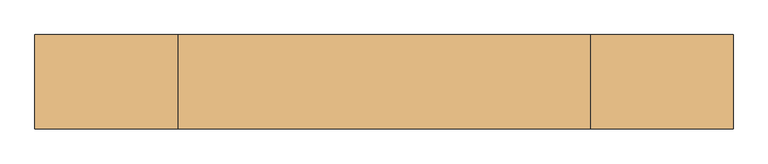
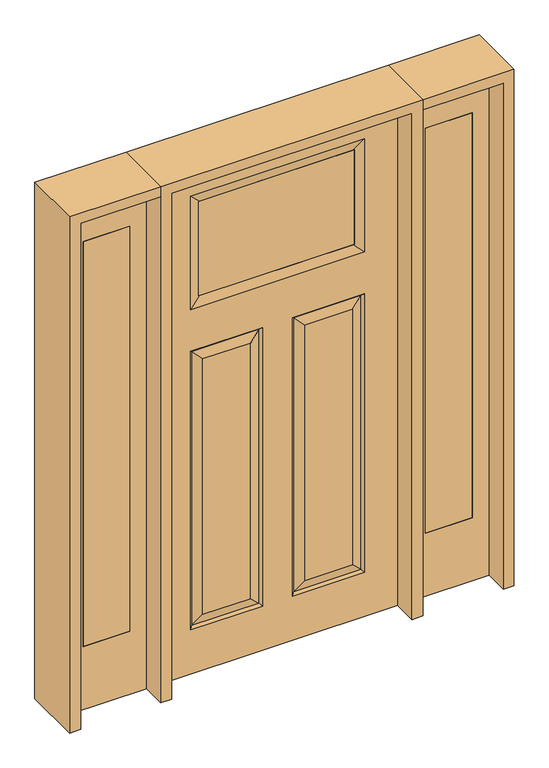
"""IFC4 building model written with IfcOpenShell, lengths in millimetres: door geometry."""

import ifcopenshell
import ifcopenshell.guid

model = None  # the IFC model being written
_history = None  # IfcOwnerHistory: only IFC2X3 demands one
_inside = {}  # id of a spatial element -> (the spatial element, [elements in it])
_under = {}  # id of a project, library or spatial element -> (it, [spatial elements below it])
_declared = {}  # id of a project -> (the project, [libraries it declares])
_typed = {}  # id of a type object -> (the type object, [elements of that type])
_made_of = {}  # id of a material, layer set ... -> (it, [elements and type objects made of it])


def new_model(schema):
    """Start an empty IFC model of exactly this schema.

    Asked for "IFC4X3", IfcOpenShell would pick the latest addendum, in which some entities
    have other attributes; the version numbers below select the first issue.
    IFC2X3 requires an IfcOwnerHistory on every rooted entity: one is made here for all.
    """
    global model, _history
    if schema == "IFC4X3":
        model = ifcopenshell.file(schema_version=(4, 3, 0, 0))
    else:
        model = ifcopenshell.file(schema=schema)
    _inside.clear()
    _under.clear()
    _declared.clear()
    _typed.clear()
    _made_of.clear()
    _history = None
    if model.schema == "IFC2X3":
        org = make("IfcOrganization", Name="unknown")
        user = make(
            "IfcPersonAndOrganization",
            ThePerson=make("IfcPerson", FamilyName="unknown"),
            TheOrganization=org,
        )
        app = make(
            "IfcApplication",
            ApplicationDeveloper=org,
            Version="unknown",
            ApplicationFullName="unknown",
            ApplicationIdentifier="unknown",
        )
        _history = make(
            "IfcOwnerHistory",
            OwningUser=user,
            OwningApplication=app,
            ChangeAction="ADDED",
            CreationDate=0,
        )
    return model


def make(cls, **values):
    """One entity of the class cls with the attributes given. An attribute that is None is left unset."""
    return model.create_entity(
        cls, **{name: value for name, value in values.items() if value is not None}
    )


def rooted(cls, **values):
    """An entity with a GlobalId (a new one), such as an element, a storey or a relation."""
    return make(cls, GlobalId=ifcopenshell.guid.new(), OwnerHistory=_history, **values)


def si_unit(unit_type, name, prefix=None):
    """IfcSIUnit, for example si_unit("LENGTHUNIT", "METRE", prefix="MILLI")."""
    return make("IfcSIUnit", UnitType=unit_type, Prefix=prefix, Name=name)


def assignment(units):
    """IfcUnitAssignment: the units of a project."""
    return None if units is None else make("IfcUnitAssignment", Units=units)


def point(xyz):
    """IfcCartesianPoint."""
    return None if xyz is None else make("IfcCartesianPoint", Coordinates=xyz)


def direction(xyz):
    """IfcDirection."""
    return None if xyz is None else make("IfcDirection", DirectionRatios=xyz)


def frame(location, z_axis=None, x_axis=None):
    """IfcAxis2Placement3D, a coordinate frame: its origin and axes. An axis left out is left unset."""
    return make(
        "IfcAxis2Placement3D",
        Location=point(location),
        Axis=direction(z_axis),
        RefDirection=direction(x_axis),
    )


def origin():
    """The frame at (0, 0, 0) with its axes left unset."""
    return frame((0.0, 0.0, 0.0))


def place(relative_to, where):
    """IfcLocalPlacement: puts the frame where relative to a parent placement (None: the world)."""
    return make(
        "IfcLocalPlacement", PlacementRelTo=relative_to, RelativePlacement=where
    )


def context(
    kind, dimensions, precision=None, world=None, true_north=None, identifier=None
):
    """IfcGeometricRepresentationContext, for example the 3D "Model" context."""
    return make(
        "IfcGeometricRepresentationContext",
        ContextIdentifier=identifier,
        ContextType=kind,
        CoordinateSpaceDimension=dimensions,
        Precision=precision,
        WorldCoordinateSystem=world,
        TrueNorth=true_north,
    )


def project(units=None, contexts=None):
    """IfcProject with its units and contexts."""
    return rooted(
        "IfcProject",
        Name="project",
        RepresentationContexts=contexts,
        UnitsInContext=assignment(units),
    )


def spatial(cls, under=None, at=None, **own):
    """A site, building, storey or space (cls), placed at a placement, below another one or the project."""
    s = rooted(cls, ObjectPlacement=at, **own)
    if under is not None:
        _under.setdefault(under.id(), (under, []))[1].append(s)
    return s


def polyline(points):
    """IfcPolyline through the points."""
    return make("IfcPolyline", Points=[point(p) for p in points])


def outline(outer, holes=None, kind="AREA"):
    """IfcArbitraryClosedProfileDef: a profile drawn as a closed curve; with holes, ...WithVoids."""
    if holes is None:
        return make("IfcArbitraryClosedProfileDef", ProfileType=kind, OuterCurve=outer)
    return make(
        "IfcArbitraryProfileDefWithVoids",
        ProfileType=kind,
        OuterCurve=outer,
        InnerCurves=holes,
    )


def extrude(swept, where, along, depth):
    """IfcExtrudedAreaSolid: the profile swept, set in the frame where, extruded along a direction by depth."""
    return make(
        "IfcExtrudedAreaSolid",
        SweptArea=swept,
        Position=where,
        ExtrudedDirection=direction(along),
        Depth=depth,
    )


def faces_of(points, faces, orient=None, outer=None):
    """IfcFace entities. A face is a list of loops; a loop is a list of indices into points, from 0.

    orient and outer hold one flag for each loop. By default every Orientation is true, the
    first loop of a face is its IfcFaceOuterBound and the others are IfcFaceBound.
    """
    made = []
    for i, loops in enumerate(faces):
        bounds = []
        for j, loop in enumerate(loops):
            is_outer = j == 0 if outer is None else outer[i][j]
            bounds.append(
                make(
                    "IfcFaceOuterBound" if is_outer else "IfcFaceBound",
                    Bound=make("IfcPolyLoop", Polygon=[points[k] for k in loop]),
                    Orientation=True if orient is None else orient[i][j],
                )
            )
        made.append(make("IfcFace", Bounds=bounds))
    return made


def faceted_brep(points, faces, orient=None, outer=None, voids=None):
    """IfcFacetedBrep: a solid bounded by flat faces; with voids (closed shells), ...WithVoids."""
    shared = [point(p) for p in points]
    hull = make("IfcClosedShell", CfsFaces=faces_of(shared, faces, orient, outer))
    if voids is None:
        return make("IfcFacetedBrep", Outer=hull)
    return make(
        "IfcFacetedBrepWithVoids",
        Outer=hull,
        Voids=[
            make(cls, CfsFaces=faces_of(shared, fs, o, b)) for cls, fs, o, b in voids
        ],
    )


def shape(context_of_items, identifier, shape_type, items):
    """IfcShapeRepresentation: the items that make up one representation, for example the "Body"."""
    return make(
        "IfcShapeRepresentation",
        ContextOfItems=context_of_items,
        RepresentationIdentifier=identifier,
        RepresentationType=shape_type,
        Items=items,
    )


def source(mapping_origin, context_of_items, identifier, shape_type, items):
    """IfcRepresentationMap: a shape defined once, which mapped items show again and again."""
    return make(
        "IfcRepresentationMap",
        MappingOrigin=mapping_origin,
        MappedRepresentation=shape(context_of_items, identifier, shape_type, items),
    )


def transform(
    local_origin,
    x_axis=None,
    y_axis=None,
    z_axis=None,
    scale=None,
    scale2=None,
    scale3=None,
    uniform=True,
):
    """IfcCartesianTransformationOperator3D, or its non-uniform kind. x_axis, y_axis, z_axis: its Axis1, 2, 3."""
    if uniform:
        return make(
            "IfcCartesianTransformationOperator3D",
            Axis1=direction(x_axis),
            Axis2=direction(y_axis),
            LocalOrigin=point(local_origin),
            Scale=scale,
            Axis3=direction(z_axis),
        )
    return make(
        "IfcCartesianTransformationOperator3DnonUniform",
        Axis1=direction(x_axis),
        Axis2=direction(y_axis),
        LocalOrigin=point(local_origin),
        Scale=scale,
        Axis3=direction(z_axis),
        Scale2=scale2,
        Scale3=scale3,
    )


def mapped(mapping_source, mapping_target):
    """IfcMappedItem: shows the shape of a source again, moved by a transform."""
    return make(
        "IfcMappedItem", MappingSource=mapping_source, MappingTarget=mapping_target
    )


def made_of(thing, what):
    """Note that an element or type object is made of a material, layer set ...; save() writes the relation."""
    if what is not None:
        _made_of.setdefault(what.id(), (what, []))[1].append(thing)
    return thing


def element(
    cls,
    number,
    at=None,
    inside=None,
    cuts=None,
    type_object=None,
    material=None,
    context=None,
    identifier="Body",
    shape_type=None,
    held_by="IfcProductDefinitionShape",
    body=None,
    shapes=None,
    **own,
):
    """One element of the class cls, such as IfcWall. Its Tag is "e" and its number.

    at: its placement. inside: the storey or other place that contains it. cuts: it is an
    opening in that element (IfcRelVoidsElement). A single representation is given by context,
    identifier, shape_type and body (its items); several are given by shapes. held_by: the class
    of the entity that holds the representations. save() writes the other relations.
    """
    e = rooted(cls, Tag="e%d" % number, ObjectPlacement=at, **own)
    if body is not None:
        shapes = [shape(context, identifier, shape_type, body)]
    if shapes is not None:
        e.Representation = make(held_by, Representations=shapes)
    if inside is not None:
        _inside.setdefault(inside.id(), (inside, []))[1].append(e)
    if cuts is not None:
        rooted(
            "IfcRelVoidsElement", RelatingBuildingElement=cuts, RelatedOpeningElement=e
        )
    if type_object is not None:
        _typed.setdefault(type_object.id(), (type_object, []))[1].append(e)
    return made_of(e, material)


def aggregate(whole, parts):
    """IfcRelAggregates: a whole, such as a stair, and the parts it consists of."""
    return rooted("IfcRelAggregates", RelatingObject=whole, RelatedObjects=parts)


def save(model, path):
    """Write the relations noted so far, then the file.

    IfcRelAggregates (storeys below a building ...), IfcRelContainedInSpatialStructure (elements
    in a storey), IfcRelDefinesByType, IfcRelAssociatesMaterial and IfcRelDeclares: one each for
    every whole, place, type object, material and project.
    """
    for whole, parts in _under.values():
        aggregate(whole, parts)
    for where, things in _inside.values():
        rooted(
            "IfcRelContainedInSpatialStructure",
            RelatedElements=things,
            RelatingStructure=where,
        )
    for kind, things in _typed.values():
        rooted("IfcRelDefinesByType", RelatedObjects=things, RelatingType=kind)
    for what, things in _made_of.values():
        rooted("IfcRelAssociatesMaterial", RelatedObjects=things, RelatingMaterial=what)
    for by, libraries in _declared.values():
        rooted("IfcRelDeclares", RelatingContext=by, RelatedDefinitions=libraries)
    model.write(path)


def door_09a947c7(model_context):
    return source(origin(), model_context, "Body", "SolidModel", [
        extrude(outline(polyline([(561.975, -20.6375), (561.975, 20.6375), (739.775, 20.6375), (739.775, -20.6375), (561.975, -20.6375)])), frame((0.0, 0.0, 254.0), z_axis=(0.0, 0.0, 1.0), x_axis=(1.0, 0.0, 0.0)), (0.0, 0.0, 1.0), 1625.6),
        extrude(outline(polyline([(0.0, 803.275), (2032.0, 803.275), (2032.0, 498.475), (0.0, 498.475), (0.0, 803.275)]), holes=[polyline([(1879.6, 561.975), (1879.6, 739.775), (254.0, 739.775), (254.0, 561.975), (1879.6, 561.975)])]), frame((0.0, -20.6375, 0.0), z_axis=(0.0, 1.0, 0.0), x_axis=(0.0, 0.0, 1.0)), (0.0, 0.0, 1.0), 41.275),
        extrude(outline(polyline([(-561.975, -20.6375), (-739.775, -20.6375), (-739.775, 20.6375), (-561.975, 20.6375), (-561.975, -20.6375)])), frame((0.0, 0.0, 254.0), z_axis=(0.0, 0.0, 1.0), x_axis=(1.0, 0.0, 0.0)), (0.0, 0.0, 1.0), 1625.6),
        extrude(outline(polyline([(0.0, -803.275), (0.0, -498.475), (2032.0, -498.475), (2032.0, -803.275), (0.0, -803.275)]), holes=[polyline([(1879.6, -561.975), (254.0, -561.975), (254.0, -739.775), (1879.6, -739.775), (1879.6, -561.975)])]), frame((0.0, -20.6375, 0.0), z_axis=(0.0, 1.0, 0.0), x_axis=(0.0, 0.0, 1.0)), (0.0, 0.0, 1.0), 41.275),
        faceted_brep([(-457.2, -20.6375, 2032.0), (-457.2, 20.6375, 2032.0), (-457.2, 20.6375, 0.0), (-457.2, -20.6375, 0.0), (284.2895, 20.6375, 1249.4895), (284.2895, 20.6375, 223.7105), (103.0605, 20.6375, 223.7105), (103.0605, 20.6375, 1249.4895), (-284.2895, 20.6375, 223.7105), (-284.2895, 20.6375, 1249.4895), (-103.0605, 20.6375, 1249.4895), (-103.0605, 20.6375, 223.7105), (457.2, 20.6375, 2032.0), (457.2, 20.6375, 0.0), (330.327, 20.6375, 177.673), (330.327, 20.6375, 1295.527), (57.023, 20.6375, 1295.527), (57.023, 20.6375, 177.673), (-330.3984375, 20.6375, 1463.5757812), (330.3984375, 20.6375, 1463.5757812), (330.3984375, 20.6375, 1917.8984375), (-330.3984375, 20.6375, 1917.8984375), (-330.327, 20.6375, 1295.527), (-330.327, 20.6375, 177.673), (-57.023, 20.6375, 177.673), (-57.023, 20.6375, 1295.527), (-321.3467439, 11.6572439, 1286.5467439), (-321.3467439, 11.6572439, 186.6532561), (-66.0032561, 11.6572439, 186.6532561), (66.0032561, -11.6572439, 186.6532561), (103.0605, -20.6375, 223.7105), (103.0605, -20.6375, 1249.4895), (66.0032561, -11.6572439, 1286.5467439), (-103.0605, -20.6375, 223.7105), (-66.0032561, -11.6572439, 186.6532561), (-66.0032561, -11.6572439, 1286.5467439), (-103.0605, -20.6375, 1249.4895), (-321.3467439, -11.6572439, 186.6532561), (-330.327, -20.6375, 177.673), (-57.023, -20.6375, 177.673), (-330.3984375, -20.6375, 1463.5757812), (-293.3411936, -11.6572439, 1500.6330251), (-296.5161936, -12.4266566, 1500.584375), (-296.5161936, -12.4266566, 1880.8898438), (-293.3411936, -11.6572439, 1880.8898438), (-330.3984375, -20.6375, 1917.8984375), (293.3411936, -11.6572439, 1500.6330251), (330.3984375, -20.6375, 1463.5757812), (330.3984375, -20.6375, 1917.8984375), (293.3411936, -11.6572439, 1880.8411936), (296.5161936, -12.4266566, 1880.8898438), (296.5161936, -12.4266566, 1500.584375), (321.3467439, -11.6572439, 1286.5467439), (330.327, -20.6375, 1295.527), (57.023, -20.6375, 1295.527), (296.5161936, 12.4266566, 1880.8898438), (-296.5161936, 12.4266566, 1880.8898438), (-293.3411936, 11.6572439, 1880.8898438), (293.3411936, 11.6690335, 1880.8898438), (457.2, -20.6375, 0.0), (457.2, -20.6375, 2032.0), (284.2895, -20.6375, 223.7105), (284.2895, -20.6375, 1249.4895), (-284.2895, -20.6375, 1249.4895), (-284.2895, -20.6375, 223.7105), (-330.327, -20.6375, 1295.527), (-57.023, -20.6375, 1295.527), (330.327, -20.6375, 177.673), (57.023, -20.6375, 177.673), (321.3467439, 11.6572439, 186.6532561), (66.0032561, 11.6572439, 186.6532561), (321.3467439, -11.6572439, 186.6532561), (-321.3467439, -11.6572439, 1286.5467439), (293.3411936, 11.6572439, 1500.6330251), (296.5161936, 12.4266566, 1500.584375), (321.3467439, 11.6572439, 1286.5467439), (66.0032561, 11.6572439, 1286.5467439), (-66.0032561, 11.6572439, 1286.5467439), (-293.3411936, 11.6572439, 1500.6330251), (-296.5161936, 12.4266566, 1500.584375)], [[[0, 1, 2, 3]], [[4, 5, 6, 7]], [[8, 9, 10, 11]], [[1, 12, 13, 2], [14, 15, 16, 17], [18, 19, 20, 21], [22, 23, 24, 25]], [[26, 27, 23, 22]], [[27, 26, 9, 8]], [[27, 8, 11, 28]], [[29, 30, 31, 32]], [[33, 34, 35, 36]], [[37, 38, 39, 34]], [[40, 41, 42, 43, 44, 45]], [[46, 47, 48, 49, 50, 51]], [[52, 53, 54, 32]], [[55, 50, 49, 44, 43, 56, 57, 58]], [[47, 46, 41, 40]], [[13, 59, 3, 2]], [[12, 60, 59, 13]], [[61, 62, 31, 30]], [[63, 64, 33, 36]], [[60, 0, 3, 59], [38, 65, 66, 39], [47, 40, 45, 48], [53, 67, 68, 54]], [[12, 1, 0, 60]], [[69, 14, 17, 70]], [[71, 61, 30, 29]], [[68, 29, 32, 54]], [[37, 72, 65, 38]], [[19, 73, 74, 55, 58, 20]], [[14, 69, 75, 15]], [[70, 17, 16, 76]], [[75, 69, 5, 4]], [[5, 69, 70, 6]], [[6, 70, 76, 7]], [[23, 27, 28, 24]], [[24, 28, 77, 25]], [[28, 11, 10, 77]], [[61, 71, 52, 62]], [[52, 71, 67, 53]], [[67, 71, 29, 68]], [[72, 37, 64, 63]], [[64, 37, 34, 33]], [[34, 39, 66, 35]], [[20, 58, 57, 21]], [[78, 18, 21, 57, 56, 79]], [[49, 48, 45, 44]], [[62, 52, 32, 31]], [[15, 75, 76, 16]], [[75, 4, 7, 76]], [[56, 43, 42, 79]], [[79, 42, 41, 46, 51, 74, 73, 78]], [[50, 55, 74, 51]], [[73, 19, 18, 78]], [[72, 63, 36, 35]], [[65, 72, 35, 66]], [[26, 22, 25, 77]], [[9, 26, 77, 10]]]),
        extrude(outline(polyline([(296.5161936, -11.6572439), (-296.5161936, -11.6572439), (-296.5161936, 11.6572439), (296.5161936, 11.6572439), (296.5161936, -11.6572439)])), frame((0.0, 0.0, 1500.584375), z_axis=(0.0, 0.0, 1.0), x_axis=(1.0, 0.0, 0.0)), (0.0, 0.0, 1.0), 380.3054688),
        extrude(outline(polyline([(2032.0, -498.475), (2073.275, -498.475), (2073.275, -844.55), (0.0, -844.55), (0.0, -803.275), (2032.0, -803.275), (2032.0, -498.475)])), frame((0.0, -114.3, 0.0), z_axis=(0.0, 1.0, 0.0), x_axis=(0.0, 0.0, 1.0)), (0.0, 0.0, 1.0), 228.6),
        extrude(outline(polyline([(2073.275, -498.475), (0.0, -498.475), (0.0, -457.2), (2032.0, -457.2), (2032.0, 457.2), (0.0, 457.2), (0.0, 498.475), (2073.275, 498.475), (2073.275, -498.475)])), frame((0.0, -114.3, 0.0), z_axis=(0.0, 1.0, 0.0), x_axis=(0.0, 0.0, 1.0)), (0.0, 0.0, 1.0), 228.6),
        extrude(outline(polyline([(0.0, 803.275), (0.0, 844.55), (2073.275, 844.55), (2073.275, 498.475), (2032.0, 498.475), (2032.0, 803.275), (0.0, 803.275)])), frame((0.0, -114.3, 0.0), z_axis=(0.0, 1.0, 0.0), x_axis=(0.0, 0.0, 1.0)), (0.0, 0.0, 1.0), 228.6),
    ])


if __name__ == "__main__":
    model = new_model("IFC4")
    model_context = context("Model", 3, world=origin())
    ifc_project = project(units=[si_unit("LENGTHUNIT", "METRE", prefix="MILLI")], contexts=[model_context])
    site = spatial("IfcSite", under=ifc_project)
    building = spatial("IfcBuilding", under=site)
    placement = place(None, origin())
    door_shape = door_09a947c7(model_context)
    element("IfcDoor", 1, at=placement, inside=building, context=model_context, shape_type="MappedRepresentation", body=[
        mapped(door_shape, transform((0.0, 0.0, 0.0), x_axis=(1.0, 0.0, 0.0), y_axis=(0.0, 1.0, 0.0), z_axis=(0.0, 0.0, 1.0))),
    ])
    save(model, "model.ifc")
